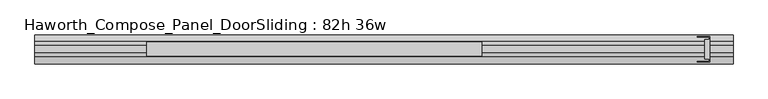
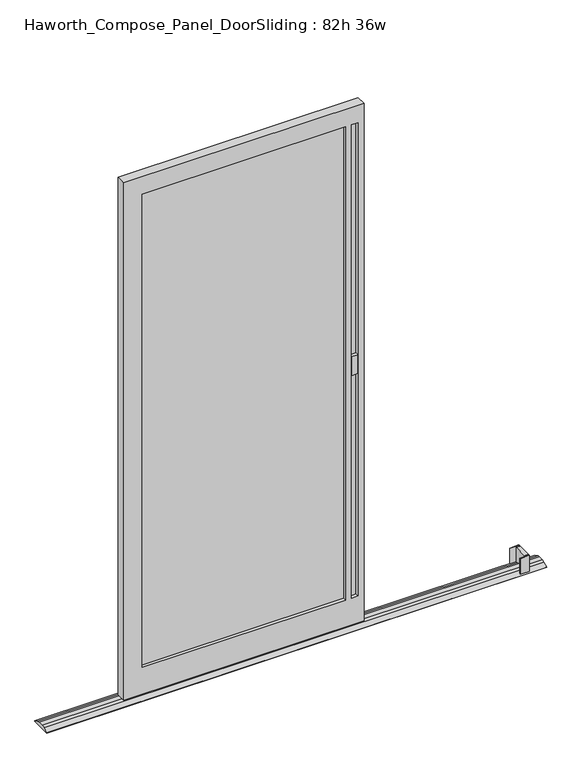
"""IFC4 building model written with IfcOpenShell, lengths in millimetres: furniture geometry, Haworth_Compose_Panel_DoorSliding : 82h 36w."""

from ifc_helpers import new_model, si_unit, frame, origin, place, context, project, spatial, polyline, circle_curve, outline, extrude, faceted_brep, source, transform, mapped, element, save
from ifc_brep_helpers import plane_surface, cylinder_surface, advanced_brep


def haworth_compose_panel_doorsliding_82h_36w_250d6870(model_context):
    return source(origin(), model_context, "Body", "SolidModel", [
        extrude(outline(polyline([(470.1884771, -10.8677216), (-304.5115229, -10.8677216), (-304.5115229, 1.8322784), (470.1884771, 1.8322784), (470.1884771, -10.8677216)])), frame((0.0, 0.0, 120.65), z_axis=(0.0, 0.0, 1.0), x_axis=(1.0, 0.0, 0.0)), (0.0, 0.0, 1.0), 1905.0),
        faceted_brep([(540.0384771, 14.5322784, 2095.5), (540.0384771, 14.5322784, 12.7), (-374.3615229, 14.5322784, 12.7), (-374.3615229, 14.5322784, 2095.5), (470.1884771, 14.5322784, 2025.65), (-304.5115229, 14.5322784, 2025.65), (-304.5115229, 14.5322784, 120.65), (470.1884771, 14.5322784, 120.65), (517.8134771, 14.5322784, 2025.65), (492.4134771, 14.5322784, 2025.65), (492.4134771, 14.5322784, 120.65), (517.8134771, 14.5322784, 120.65), (-374.3615229, -23.5677216, 2095.5), (540.0384771, -23.5677216, 2095.5), (540.0384771, -23.5677216, 12.7), (-374.3615229, -23.5677216, 12.7), (470.1884771, -23.5677216, 120.65), (470.1884771, -23.5677216, 2025.65), (-304.5115229, -23.5677216, 120.65), (-304.5115229, -23.5677216, 2025.65), (517.8134771, -23.5677216, 2025.65), (517.8134771, -23.5677216, 120.65), (492.4134771, -23.5677216, 120.65), (492.4134771, -23.5677216, 2025.65), (517.8134771, 1.8322784, 120.65), (517.8134771, 1.8322784, 2025.65), (517.8134771, -10.8677216, 2025.65), (517.8134771, -10.8677216, 120.65), (492.4134771, 1.8322784, 120.65), (492.4134771, -10.8677216, 120.65), (492.4134771, 1.8322784, 2025.65), (492.4134771, -10.8677216, 2025.65)], [[[0, 1, 2, 3], [4, 5, 6, 7], [8, 9, 10, 11]], [[12, 13, 0, 3]], [[14, 15, 2, 1]], [[13, 14, 1, 0]], [[16, 17, 4, 7]], [[18, 16, 7, 6]], [[19, 18, 6, 5]], [[17, 19, 5, 4]], [[13, 12, 15, 14], [17, 16, 18, 19], [20, 21, 22, 23]], [[15, 12, 3, 2]], [[8, 11, 24, 25]], [[21, 20, 26, 27]], [[11, 10, 28, 24]], [[22, 21, 27, 29]], [[10, 9, 30, 28]], [[23, 22, 29, 31]], [[9, 8, 25, 30]], [[20, 23, 31, 26]], [[27, 26, 31, 29]], [[25, 24, 28, 30]]]),
        extrude(outline(polyline([(517.8134771, 1.8322784), (492.4134771, 1.8322784), (492.4134771, 14.5322784), (517.8134771, 14.5322784), (517.8134771, 1.8322784)])), frame((0.0, 0.0, 1016.0), z_axis=(0.0, 0.0, 1.0), x_axis=(1.0, 0.0, 0.0)), (0.0, 0.0, 1.0), 76.2),
        extrude(outline(polyline([(492.4134771, -10.8677216), (517.8134771, -10.8677216), (517.8134771, -23.5677216), (492.4134771, -23.5677216), (492.4134771, -10.8677216)])), frame((0.0, 0.0, 1016.0), z_axis=(0.0, 0.0, 1.0), x_axis=(1.0, 0.0, 0.0)), (0.0, 0.0, 1.0), 76.2),
        extrude(outline(polyline([(1162.3384771, 30.4072784), (1162.3384771, -39.4427216), (1127.4134771, -39.4427216), (1127.4134771, -37.8552216), (1160.7509771, -37.8552216), (1160.7509771, -31.5052216), (1148.0509771, -31.5052216), (1148.0509771, 22.4697784), (1160.7509771, 22.4697784), (1160.7509771, 28.8197784), (1127.4134771, 28.8197784), (1127.4134771, 30.4072784), (1162.3384771, 30.4072784)])), frame((0.0, 0.0, 1.5875), z_axis=(0.0, 0.0, 1.0), x_axis=(1.0, 0.0, 0.0)), (0.0, 0.0, 1.0), 65.7225),
        advanced_brep(
        [(-679.1615229, 35.1431511, 0.0), (-679.1615229, -44.1785944, 0.0), (-679.1615229, -44.1785944, 1.5875), (-679.1615229, -25.8161303, 10.1662427), (-679.1615229, -14.4066305, 12.7), (-679.1615229, 5.3711872, 12.7), (-679.1615229, 16.7630089, 10.1744939), (-679.1615229, 35.1431511, 1.6084654), (1225.8384771, 35.1431511, 0.0), (1225.8384771, 35.1431511, 1.6084654), (1225.8384771, 16.7648369, 10.178414), (1225.8384771, 5.3711872, 12.7), (1225.8384771, -14.4066305, 12.7), (1225.8384771, -25.8161303, 10.1662427), (1225.8384771, -44.1785944, 1.5875), (1225.8384771, -44.1785944, 0.0)],
        [
            (0, 1),
            (1, 2),
            (2, 3),
            (3, 4, circle_curve(frame((-679.1615229, -14.4066305, -14.2553465), z_axis=(-1.0, 0.0, 0.0), x_axis=(0.0, 0.0, 1.0)), 26.9553465)),
            (4, 5),
            (5, 6, circle_curve(frame((-679.1615229, 5.3711872, -14.2553465), z_axis=(-1.0, 0.0, 0.0), x_axis=(0.0, 0.0, 1.0)), 26.9553465)),
            (6, 7),
            (7, 0),
            (8, 9),
            (9, 10),
            (10, 11, circle_curve(frame((1225.8384771, 5.3711872, -14.2553465), z_axis=(1.0, 0.0, 0.0), x_axis=(0.0, 0.0, 1.0)), 26.9553465)),
            (11, 12),
            (12, 13, circle_curve(frame((1225.8384771, -14.4066305, -14.2553465), z_axis=(1.0, 0.0, 0.0), x_axis=(0.0, 0.0, 1.0)), 26.9553465)),
            (13, 14),
            (14, 15),
            (15, 8),
            (0, 8),
            (15, 1),
            (14, 2),
            (7, 9),
            (13, 3),
            (12, 4),
            (11, 5),
            (10, 6),
        ],
        [
            plane_surface(frame((-679.1615229, -4.5177216, 0.0), z_axis=(-1.0, 0.0, 0.0), x_axis=(0.0, -1.0, 0.0))),
            plane_surface(frame((1225.8384771, -4.5177216, 0.0), z_axis=(1.0, 0.0, 0.0), x_axis=(0.0, -1.0, 0.0))),
            plane_surface(frame((-679.1615229, 35.1431511, 0.0), z_axis=(0.0, 0.0, -1.0), x_axis=(1.0, 0.0, 0.0))),
            plane_surface(frame((-679.1615229, -44.1785944, 0.0), z_axis=(0.0, -1.0, 0.0), x_axis=(1.0, 0.0, 0.0))),
            plane_surface(frame((-679.1615229, 35.1431511, 1.6084654), z_axis=(0.0, 1.0, 0.0), x_axis=(1.0, 0.0, 0.0))),
            plane_surface(frame((-679.1615229, -44.1785944, 1.5875), z_axis=(0.0, -0.42327409086982815, 0.9060016799092155), x_axis=(1.0, 0.0, 0.0))),
            cylinder_surface(frame((-679.1615229, -14.4066305, -14.2553465), z_axis=(-1.0, 0.0, 0.0), x_axis=(0.0, 0.0, 1.0)), 26.9553465),
            plane_surface(frame((-679.1615229, -14.4066305, 12.7), z_axis=(0.0, 0.0, 1.0), x_axis=(1.0, 0.0, 0.0))),
            cylinder_surface(frame((-679.1615229, 5.3711872, -14.2553465), z_axis=(-1.0, 0.0, 0.0), x_axis=(0.0, 0.0, 1.0)), 26.9553465),
            plane_surface(frame((-679.1615229, 16.7648369, 10.178414), z_axis=(0.0, 0.4226182617407623, 0.9063077870366207), x_axis=(1.0, 0.0, 0.0))),
        ],
        [
            (0, [[1, 2, 3, 4, 5, 6, 7, 8]]),
            (1, [[9, 10, 11, 12, 13, 14, 15, 16]]),
            (2, [[-1, 17, -16, 18]]),
            (3, [[-2, -18, -15, 19]]),
            (4, [[-8, 20, -9, -17]]),
            (5, [[-3, -19, -14, 21]]),
            (6, [[-4, -21, -13, 22]]),
            (7, [[-5, -22, -12, 23]]),
            (8, [[-6, -23, -11, 24]]),
            (9, [[-7, -24, -10, -20]]),
        ],
    ),
    ])


if __name__ == "__main__":
    model = new_model("IFC4")
    model_context = context("Model", 3, world=origin())
    ifc_project = project(units=[si_unit("LENGTHUNIT", "METRE", prefix="MILLI")], contexts=[model_context])
    site = spatial("IfcSite", under=ifc_project)
    building = spatial("IfcBuilding", under=site)
    placement = place(None, origin())
    haworth_compose_panel_doorsliding_82h_36w_shape = haworth_compose_panel_doorsliding_82h_36w_250d6870(model_context)
    element("IfcFurniture", 1, ObjectType="Haworth_Compose_Panel_DoorSliding : 82h 36w", at=placement, inside=building, context=model_context, shape_type="MappedRepresentation", body=[
        mapped(haworth_compose_panel_doorsliding_82h_36w_shape, transform((0.0, 0.0, 0.0), x_axis=(1.0, 0.0, 0.0), y_axis=(0.0, 1.0, 0.0), z_axis=(0.0, 0.0, 1.0))),
    ])
    save(model, "model.ifc")
